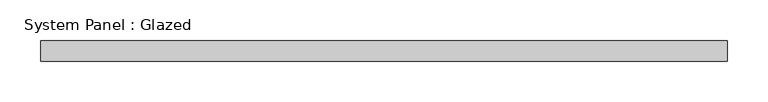
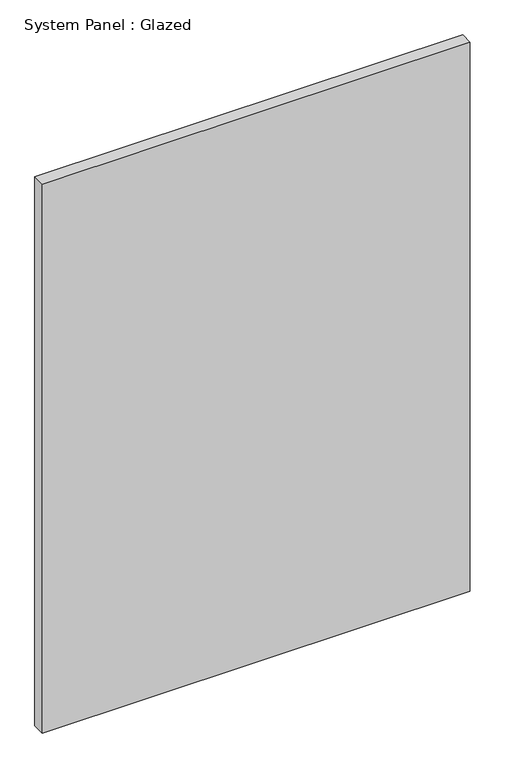
"""IFC4 building model written with IfcOpenShell, lengths in millimetres: plate geometry, System Panel : Glazed."""

from ifc_helpers import new_model, si_unit, origin, origin_with_axes, place, context, project, spatial, polyline, outline, extrude, source, transform, mapped, element, save


def system_panel_glazed_af7230b6(model_context):
    return source(origin(), model_context, "Body", "SweptSolid", [
        extrude(outline(polyline([(423.8625, -12.7), (-423.8625, -12.7), (-423.8625, 12.7), (423.8625, 12.7), (423.8625, -12.7)])), origin_with_axes(), (0.0, 0.0, 1.0), 1149.35),
    ])


if __name__ == "__main__":
    model = new_model("IFC4")
    model_context = context("Model", 3, world=origin())
    ifc_project = project(units=[si_unit("LENGTHUNIT", "METRE", prefix="MILLI")], contexts=[model_context])
    site = spatial("IfcSite", under=ifc_project)
    building = spatial("IfcBuilding", under=site)
    placement = place(None, origin())
    system_panel_glazed_shape = system_panel_glazed_af7230b6(model_context)
    element("IfcPlate", 1, ObjectType="System Panel : Glazed", at=placement, inside=building, context=model_context, shape_type="MappedRepresentation", body=[
        mapped(system_panel_glazed_shape, transform((0.0, 0.0, 0.0), x_axis=(1.0, 0.0, 0.0), y_axis=(0.0, 1.0, 0.0), z_axis=(0.0, 0.0, 1.0))),
    ])
    save(model, "model.ifc")
